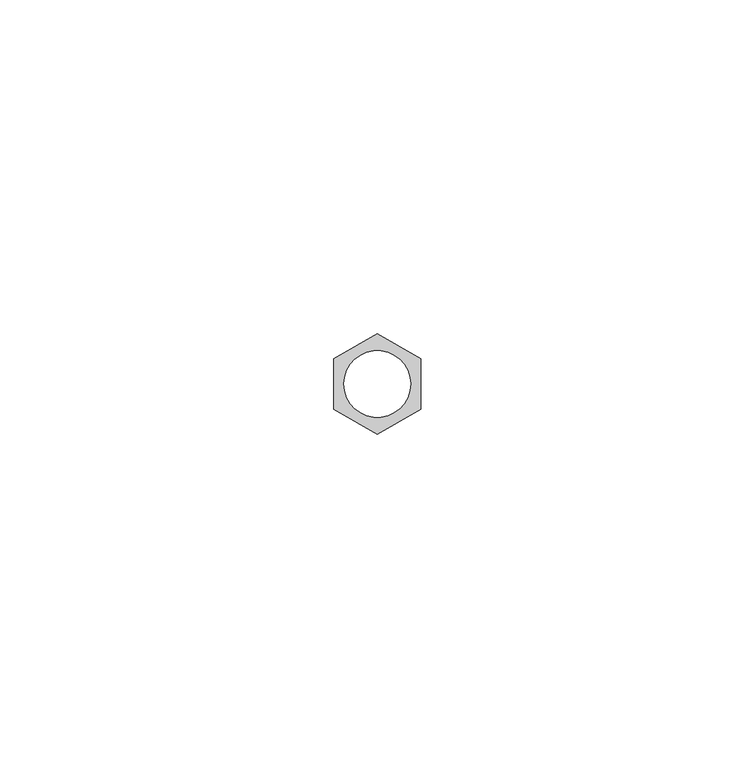
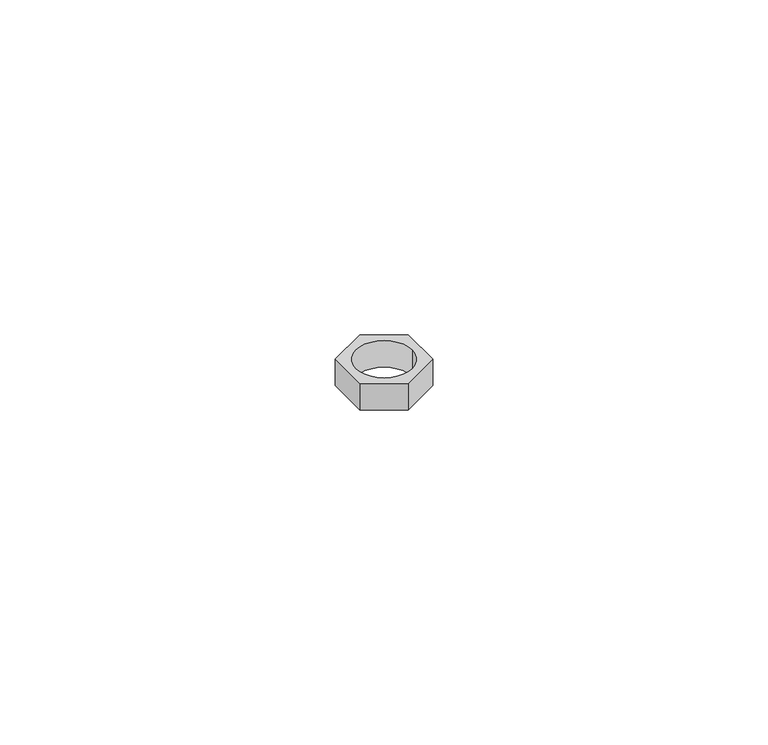
"""IFC4 building model written with IfcOpenShell, lengths in millimetres: proxy geometry."""

from ifc_helpers import new_model, si_unit, point, origin, origin_with_axes, origin_2d, place, context, project, spatial, polyline, circle_curve, trimmed, segment, composite_curve, outline, extrude, source, transform, mapped, element, save


def generic_models_9abc8562(model_context):
    return source(origin(), model_context, "Body", "SweptSolid", [
        extrude(outline(polyline([(0.0, 7.5055535), (6.5, 3.7527767), (6.5, -3.7527767), (0.0, -7.5055535), (-6.5, -3.7527767), (-6.5, 3.7527767), (0.0, 7.5055535)]), holes=[composite_curve([segment(trimmed(circle_curve(origin_2d(), 5.0), [point((-5.0, 0.0))], [point((5.0, 0.0))], True, "CARTESIAN"), True, "CONTINUOUS"), segment(trimmed(circle_curve(origin_2d(), 5.0), [point((5.0, 0.0))], [point((-5.0, 0.0))], True, "CARTESIAN"), True, "CONTINUOUS")], self_intersect=False)]), origin_with_axes(), (0.0, 0.0, 1.0), 5.0),
    ])


if __name__ == "__main__":
    model = new_model("IFC4")
    model_context = context("Model", 3, world=origin())
    ifc_project = project(units=[si_unit("LENGTHUNIT", "METRE", prefix="MILLI")], contexts=[model_context])
    site = spatial("IfcSite", under=ifc_project)
    building = spatial("IfcBuilding", under=site)
    placement = place(None, origin())
    generic_models_shape = generic_models_9abc8562(model_context)
    element("IfcBuildingElementProxy", 1, Name="Generic Models", at=placement, inside=building, context=model_context, shape_type="MappedRepresentation", body=[
        mapped(generic_models_shape, transform((0.0, 0.0, 0.0), x_axis=(1.0, 0.0, 0.0), y_axis=(0.0, 1.0, 0.0), z_axis=(0.0, 0.0, 1.0))),
    ])
    save(model, "model.ifc")
